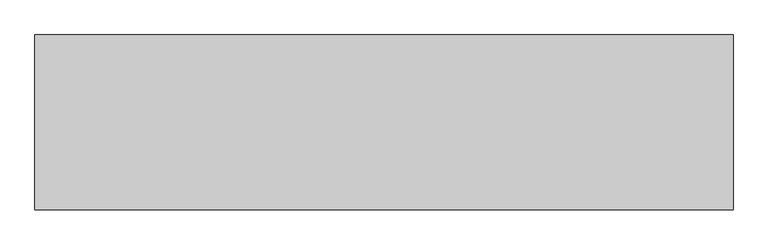
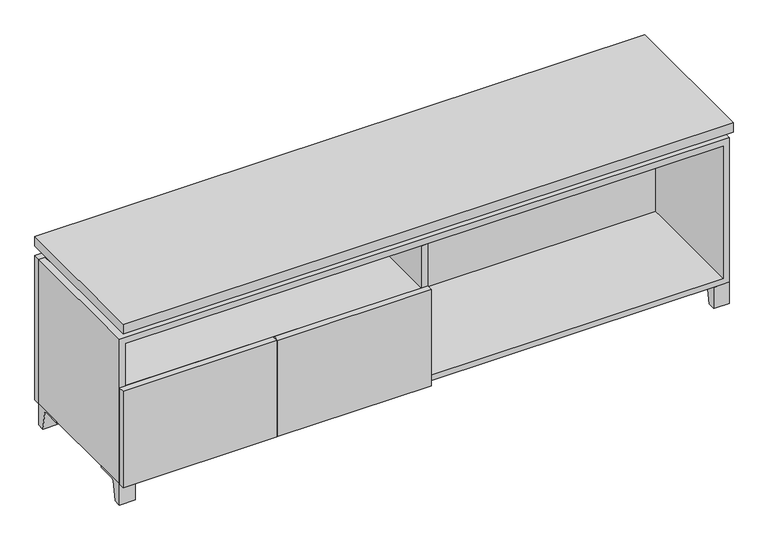
"""IFC4 building model written with IfcOpenShell, lengths in millimetres: furniture geometry."""

from ifc_helpers import new_model, si_unit, point, frame, frame_2d, origin, place, context, project, spatial, polyline, circle_curve, trimmed, segment, composite_curve, outline, extrude, faceted_brep, source, transform, mapped, element, save


def furniture_c418e37c(model_context):
    return source(origin(), model_context, "Body", "SolidModel", [
        extrude(outline(composite_curve([segment(polyline([(44.9791531, 0.0), (22.225, 0.0), (22.225, 66.675), (117.475, 66.675), (117.475, 61.8963321), (60.6744655, 61.8963321)]), True, "CONTINUOUS"), segment(trimmed(circle_curve(frame_2d((60.6744655, 55.5463321)), 6.35), [point((60.6744655, 61.8963321))], [point((54.4108641, 56.5902656))], True, "CARTESIAN"), True, "CONTINUOUS"), segment(polyline([(54.4108641, 56.5902656), (44.9791531, 0.0)]), True, "CONTINUOUS")], self_intersect=False)), frame((-23.7986094, 0.0, 0.0), z_axis=(1.0, 0.0, 0.0), x_axis=(0.0, 1.0, 0.0)), (0.0, 0.0, 1.0), 47.625),
        extrude(outline(composite_curve([segment(polyline([(-123.2958469, 0.0), (-146.05, 0.0), (-146.05, 66.675), (-50.8, 66.675), (-50.8, 61.8963321), (-107.6005345, 61.8963321)]), True, "CONTINUOUS"), segment(trimmed(circle_curve(frame_2d((-107.6005345, 55.5463321)), 6.35), [point((-107.6005345, 61.8963321))], [point((-113.8641359, 56.5902656))], True, "CARTESIAN"), True, "CONTINUOUS"), segment(polyline([(-113.8641359, 56.5902656), (-123.2958469, 0.0)]), True, "CONTINUOUS")], self_intersect=False)), frame((865.2013906, 0.0, 0.0), z_axis=(1.0, 0.0, 0.0), x_axis=(0.0, 1.0, 0.0)), (0.0, 0.0, 1.0), 47.625),
        extrude(outline(composite_curve([segment(polyline([(250.2958469, 0.0), (240.8641359, 56.5902656)]), True, "CONTINUOUS"), segment(trimmed(circle_curve(frame_2d((234.6005345, 55.5463321)), 6.35), [point((240.8641359, 56.5902656))], [point((234.6005345, 61.8963321))], True, "CARTESIAN"), True, "CONTINUOUS"), segment(polyline([(234.6005345, 61.8963321), (177.8, 61.8963321), (177.8, 66.675), (273.05, 66.675), (273.05, 0.0), (250.2958469, 0.0)]), True, "CONTINUOUS")], self_intersect=False)), frame((865.2013906, 0.0, 0.0), z_axis=(1.0, 0.0, 0.0), x_axis=(0.0, 1.0, 0.0)), (0.0, 0.0, 1.0), 47.625),
        extrude(outline(composite_curve([segment(polyline([(-123.2958469, 0.0), (-146.05, 0.0), (-146.05, 66.675), (-50.8, 66.675), (-50.8, 61.8963321), (-107.6005345, 61.8963321)]), True, "CONTINUOUS"), segment(trimmed(circle_curve(frame_2d((-107.6005345, 55.5463321)), 6.35), [point((-107.6005345, 61.8963321))], [point((-113.8641359, 56.5902656))], True, "CARTESIAN"), True, "CONTINUOUS"), segment(polyline([(-113.8641359, 56.5902656), (-123.2958469, 0.0)]), True, "CONTINUOUS")], self_intersect=False)), frame((-912.7986094, 0.0, 0.0), z_axis=(1.0, 0.0, 0.0), x_axis=(0.0, 1.0, 0.0)), (0.0, 0.0, 1.0), 47.625),
        extrude(outline(composite_curve([segment(polyline([(250.2958469, 0.0), (240.8641359, 56.5902656)]), True, "CONTINUOUS"), segment(trimmed(circle_curve(frame_2d((234.6005345, 55.5463321)), 6.35), [point((240.8641359, 56.5902656))], [point((234.6005345, 61.8963321))], True, "CARTESIAN"), True, "CONTINUOUS"), segment(polyline([(234.6005345, 61.8963321), (177.8, 61.8963321), (177.8, 66.675), (273.05, 66.675), (273.05, 0.0), (250.2958469, 0.0)]), True, "CONTINUOUS")], self_intersect=False)), frame((-912.7986094, 0.0, 0.0), z_axis=(1.0, 0.0, 0.0), x_axis=(0.0, 1.0, 0.0)), (0.0, 0.0, 1.0), 47.625),
        faceted_brep([(-912.7986094, -146.05, 66.675), (912.8125, -146.05, 66.675), (912.8125, -146.05, 523.875), (-912.7986094, -146.05, 523.875), (-893.7486094, -146.05, 85.725), (-893.7486094, -146.05, 504.825), (893.7694453, -146.05, 504.825), (893.7486094, -146.05, 85.725), (-912.7986094, 273.05, 66.675), (-912.7986094, 273.05, 523.875), (-893.7486094, 273.05, 523.875), (-893.7486094, 273.05, 85.725), (893.7486094, 273.05, 85.725), (893.7486094, 273.05, 523.875), (912.8125, 273.05, 523.875), (912.8125, 273.05, 66.675), (893.7486094, 247.65, 523.875), (-893.7416641, 247.65, 523.875), (-893.7486094, 247.65, 504.825), (893.7486094, 247.65, 504.825)], [[[0, 1, 2, 3], [4, 5, 6, 7]], [[8, 9, 10, 11, 12, 13, 14, 15]], [[1, 0, 8, 15]], [[2, 1, 15, 14]], [[3, 2, 14, 13, 16, 17, 10, 9]], [[0, 3, 9, 8]], [[11, 10, 17, 18, 5, 4]], [[13, 12, 7, 6, 19, 16]], [[4, 7, 12, 11]], [[6, 5, 18, 19]], [[17, 16, 19, 18]]]),
        extrude(outline(polyline([(912.8263906, -165.1), (-912.7986094, -165.1), (-912.7986094, 292.1), (912.8263906, 292.1), (912.8263906, -165.1)])), frame((0.0, 0.0, 554.0375), z_axis=(0.0, 0.0, 1.0), x_axis=(1.0, 0.0, 0.0)), (0.0, 0.0, 1.0), 30.1625),
        faceted_brep([(7.9513906, -69.85, 554.0375), (7.9513906, -69.85, 523.875), (7.9513906, 53.975, 523.875), (7.9513906, 53.975, 554.0375), (7.9513906, 196.85, 523.875), (7.9513906, 196.85, 554.0375), (7.9513906, 73.025, 554.0375), (7.9513906, 73.025, 523.875), (-7.9236094, 196.85, 554.0375), (-7.9236094, 196.85, 523.875), (-7.9236094, 73.025, 523.875), (-7.9236094, 73.025, 554.0375), (-7.9236094, -69.85, 523.875), (-7.9236094, -69.85, 554.0375), (-7.9236094, 53.975, 554.0375), (-7.9236094, 53.975, 523.875), (-871.4958281, 73.025, 554.0375), (-871.5166641, 247.65, 554.0375), (-887.3916641, 247.65, 554.0375), (-887.3916641, -120.65, 554.0375), (-871.5166641, -120.65, 554.0375), (-871.5166641, 53.975, 554.0375), (871.5236094, 53.975, 554.0375), (871.5236094, -120.65, 554.0375), (887.3986094, -120.65, 554.0375), (887.3986094, 247.65, 554.0375), (871.5236094, 247.65, 554.0375), (871.5236094, 73.025, 554.0375), (-871.4958281, 53.975, 523.875), (-871.5166641, -120.65, 523.875), (-887.3916641, -120.65, 523.875), (-887.3916641, 247.65, 523.875), (-871.5166641, 247.65, 523.875), (-871.5166641, 73.025, 523.875), (871.5236094, 73.025, 523.875), (871.5236094, 247.65, 523.875), (887.3986094, 247.65, 523.875), (887.3986094, -120.65, 523.875), (871.5236094, -120.65, 523.875), (871.5236094, 53.975, 523.875)], [[[0, 1, 2, 3]], [[4, 5, 6, 7]], [[8, 9, 10, 11]], [[12, 13, 14, 15]], [[5, 8, 11, 16, 17, 18, 19, 20, 21, 14, 13, 0, 3, 22, 23, 24, 25, 26, 27, 6]], [[1, 12, 15, 28, 29, 30, 31, 32, 33, 10, 9, 4, 7, 34, 35, 36, 37, 38, 39, 2]], [[5, 4, 9, 8]], [[1, 0, 13, 12]], [[6, 27, 34, 7]], [[22, 3, 2, 39]], [[20, 29, 28, 21]], [[32, 17, 16, 33]], [[18, 31, 30, 19]], [[29, 20, 19, 30]], [[17, 32, 31, 18]], [[26, 35, 34, 27]], [[38, 23, 22, 39]], [[25, 24, 37, 36]], [[23, 38, 37, 24]], [[35, 26, 25, 36]], [[16, 11, 10, 33]], [[14, 21, 28, 15]]]),
        extrude(outline(polyline([(9.5388906, 203.2), (9.5388906, -146.05), (-9.5111094, -146.05), (-9.5111094, 203.2), (9.5388906, 203.2)])), frame((0.0, 0.0, 85.725), z_axis=(0.0, 0.0, 1.0), x_axis=(1.0, 0.0, 0.0)), (0.0, 0.0, 1.0), 419.1),
        extrude(outline(polyline([(912.8263906, 273.05), (-912.7986094, 273.05), (-912.7986094, 292.1), (912.8263906, 292.1), (912.8263906, 273.05)])), frame((0.0, 0.0, 66.675), z_axis=(0.0, 0.0, 1.0), x_axis=(1.0, 0.0, 0.0)), (0.0, 0.0, 1.0), 457.2),
        extrude(outline(polyline([(-893.7416641, 203.2), (-893.7416641, 209.55), (893.7694453, 209.55), (893.7694453, 203.2), (-893.7416641, 203.2)])), frame((0.0, 0.0, 85.725), z_axis=(0.0, 0.0, 1.0), x_axis=(1.0, 0.0, 0.0)), (0.0, 0.0, 1.0), 419.1),
        extrude(outline(polyline([(9.5388906, -165.1), (-450.0423594, -165.1), (-450.0423594, -146.05), (9.5388906, -146.05), (9.5388906, -165.1)])), frame((0.0, 0.0, 66.675), z_axis=(0.0, 0.0, 1.0), x_axis=(1.0, 0.0, 0.0)), (0.0, 0.0, 1.0), 304.8),
        extrude(outline(polyline([(-453.2173594, -165.1), (-912.7986094, -165.1), (-912.7986094, -146.05), (-453.2173594, -146.05), (-453.2173594, -165.1)])), frame((0.0, 0.0, 66.675), z_axis=(0.0, 0.0, 1.0), x_axis=(1.0, 0.0, 0.0)), (0.0, 0.0, 1.0), 304.8),
        extrude(outline(polyline([(-9.5111094, 203.2), (-9.5111094, -146.05), (-893.7486094, -146.05), (-893.7486094, 203.2), (-9.5111094, 203.2)])), frame((0.0, 0.0, 352.425), z_axis=(0.0, 0.0, 1.0), x_axis=(1.0, 0.0, 0.0)), (0.0, 0.0, 1.0), 19.05),
    ])


if __name__ == "__main__":
    model = new_model("IFC4")
    model_context = context("Model", 3, world=origin())
    ifc_project = project(units=[si_unit("LENGTHUNIT", "METRE", prefix="MILLI")], contexts=[model_context])
    site = spatial("IfcSite", under=ifc_project)
    building = spatial("IfcBuilding", under=site)
    placement = place(None, origin())
    furniture_shape = furniture_c418e37c(model_context)
    element("IfcFurniture", 1, at=placement, inside=building, context=model_context, shape_type="MappedRepresentation", body=[
        mapped(furniture_shape, transform((0.0, 0.0, 0.0), x_axis=(1.0, 0.0, 0.0), y_axis=(0.0, 1.0, 0.0), z_axis=(0.0, 0.0, 1.0))),
    ])
    save(model, "model.ifc")
